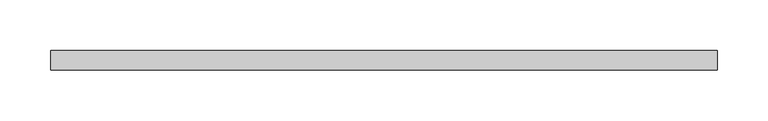
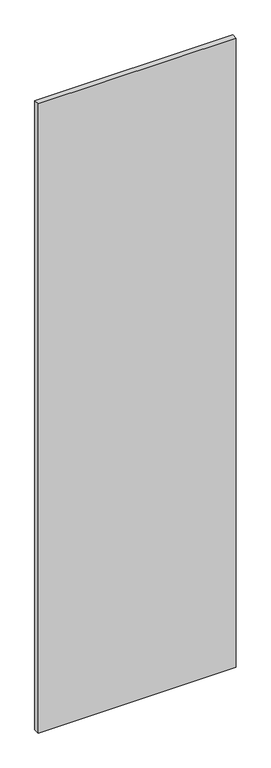
"""IFC4 building model written with IfcOpenShell, lengths in millimetres: proxy geometry."""

from ifc_helpers import new_model, si_unit, frame, origin, place, context, project, spatial, polyline, outline, extrude, source, transform, mapped, element, save


def specialty_equipment_720930c1(model_context):
    return source(origin(), model_context, "Body", "SweptSolid", [
        extrude(outline(polyline([(328.3204, -9.525), (-328.3204, -9.525), (-328.3204, 9.525), (328.3204, 9.525), (328.3204, -9.525)])), frame((0.0, 0.0, 3.175), z_axis=(0.0, 0.0, 1.0), x_axis=(1.0, 0.0, 0.0)), (0.0, 0.0, 1.0), 2203.45),
    ])


if __name__ == "__main__":
    model = new_model("IFC4")
    model_context = context("Model", 3, world=origin())
    ifc_project = project(units=[si_unit("LENGTHUNIT", "METRE", prefix="MILLI")], contexts=[model_context])
    site = spatial("IfcSite", under=ifc_project)
    building = spatial("IfcBuilding", under=site)
    placement = place(None, origin())
    specialty_equipment_shape = specialty_equipment_720930c1(model_context)
    element("IfcBuildingElementProxy", 1, Name="Specialty Equipment", at=placement, inside=building, context=model_context, shape_type="MappedRepresentation", body=[
        mapped(specialty_equipment_shape, transform((0.0, 0.0, 0.0), x_axis=(1.0, 0.0, 0.0), y_axis=(0.0, 1.0, 0.0), z_axis=(0.0, 0.0, 1.0))),
    ])
    save(model, "model.ifc")
